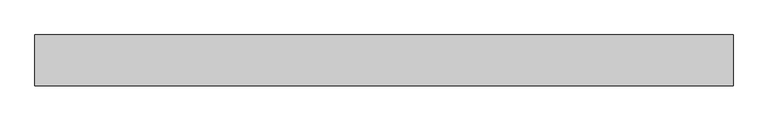
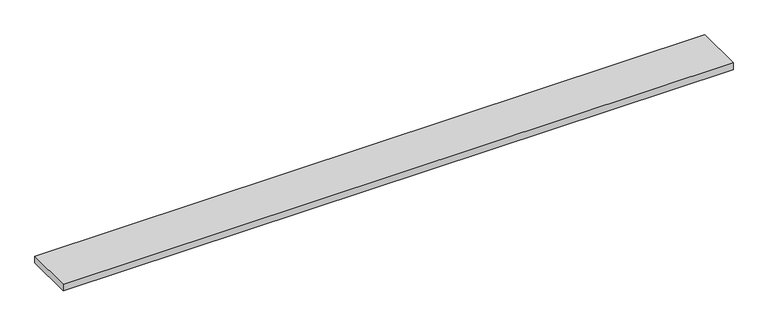
"""IFC4 building model written with IfcOpenShell, lengths in millimetres: furniture geometry."""

from ifc_helpers import new_model, si_unit, frame, origin, place, context, project, spatial, polyline, outline, extrude, source, transform, mapped, element, save


def furniture_c4e86c23(model_context):
    return source(origin(), model_context, "Body", "SweptSolid", [
        extrude(outline(polyline([(858.41205, 38.735), (858.41205, -50.165), (-360.78795, -50.165), (-360.78795, 38.735), (858.41205, 38.735)])), frame((0.0, 0.0, 965.2), z_axis=(0.0, 0.0, 1.0), x_axis=(1.0, 0.0, 0.0)), (0.0, 0.0, 1.0), 12.7),
    ])


if __name__ == "__main__":
    model = new_model("IFC4")
    model_context = context("Model", 3, world=origin())
    ifc_project = project(units=[si_unit("LENGTHUNIT", "METRE", prefix="MILLI")], contexts=[model_context])
    site = spatial("IfcSite", under=ifc_project)
    building = spatial("IfcBuilding", under=site)
    placement = place(None, origin())
    furniture_shape = furniture_c4e86c23(model_context)
    element("IfcFurniture", 1, at=placement, inside=building, context=model_context, shape_type="MappedRepresentation", body=[
        mapped(furniture_shape, transform((0.0, 0.0, 0.0), x_axis=(1.0, 0.0, 0.0), y_axis=(0.0, 1.0, 0.0), z_axis=(0.0, 0.0, 1.0))),
    ])
    save(model, "model.ifc")
